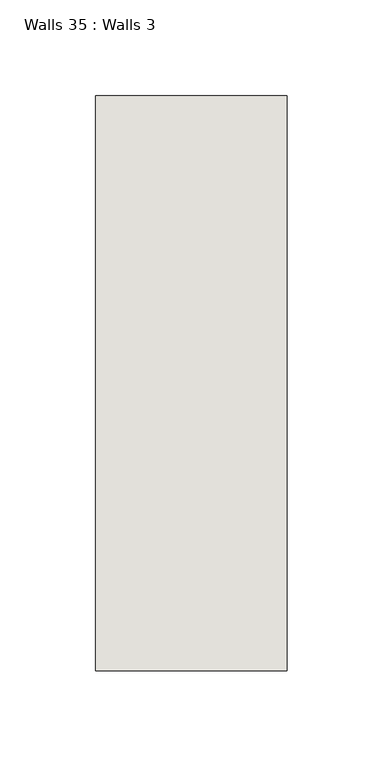
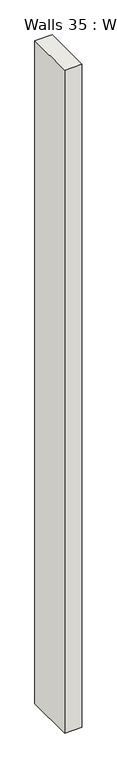
"""IFC4 building model written with IfcOpenShell, lengths in millimetres: wall geometry, Walls 35 : Walls 3."""

from ifc_helpers import new_model, si_unit, origin, origin_with_axes, place, context, project, spatial, polyline, outline, extrude, source, transform, mapped, element, save


def walls_35_walls_3_13a30ecf(model_context):
    return source(origin(), model_context, "Body", "SweptSolid", [
        extrude(outline(polyline([(-2212.3812655, 1518.41264), (-2212.3812655, 1818.41264), (-2112.3812655, 1818.41264), (-2112.3812655, 1518.41264), (-2212.3812655, 1518.41264)])), origin_with_axes(), (0.0, 0.0, 1.0), 4085.1192828),
    ])


if __name__ == "__main__":
    model = new_model("IFC4")
    model_context = context("Model", 3, world=origin())
    ifc_project = project(units=[si_unit("LENGTHUNIT", "METRE", prefix="MILLI")], contexts=[model_context])
    site = spatial("IfcSite", under=ifc_project)
    building = spatial("IfcBuilding", under=site)
    placement = place(None, origin())
    walls_35_walls_3_shape = walls_35_walls_3_13a30ecf(model_context)
    element("IfcWall", 1, ObjectType="Walls 35 : Walls 3", at=placement, inside=building, context=model_context, shape_type="MappedRepresentation", body=[
        mapped(walls_35_walls_3_shape, transform((0.0, 0.0, 0.0), x_axis=(1.0, 0.0, 0.0), y_axis=(0.0, 1.0, 0.0), z_axis=(0.0, 0.0, 1.0))),
    ])
    save(model, "model.ifc")
